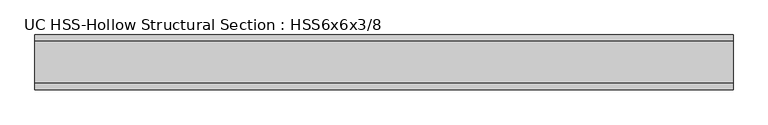
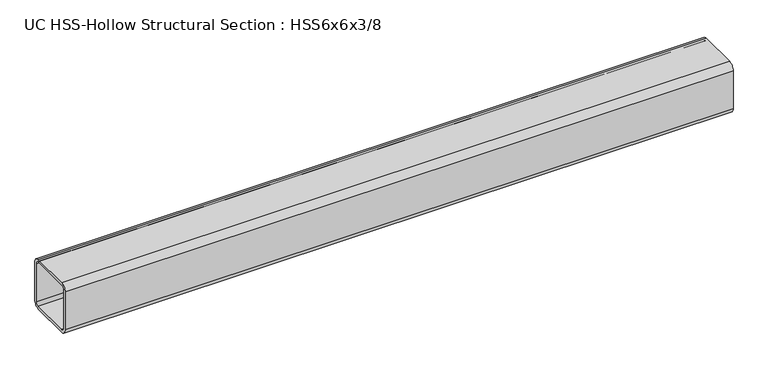
"""IFC4 building model written with IfcOpenShell, lengths in millimetres: beam geometry, UC HSS-Hollow Structural Section : HSS6x6x3/8."""

import ifcopenshell
import ifcopenshell.guid

model = None  # the IFC model being written
_history = None  # IfcOwnerHistory: only IFC2X3 demands one
_inside = {}  # id of a spatial element -> (the spatial element, [elements in it])
_under = {}  # id of a project, library or spatial element -> (it, [spatial elements below it])
_declared = {}  # id of a project -> (the project, [libraries it declares])
_typed = {}  # id of a type object -> (the type object, [elements of that type])
_made_of = {}  # id of a material, layer set ... -> (it, [elements and type objects made of it])


def new_model(schema):
    """Start an empty IFC model of exactly this schema.

    Asked for "IFC4X3", IfcOpenShell would pick the latest addendum, in which some entities
    have other attributes; the version numbers below select the first issue.
    IFC2X3 requires an IfcOwnerHistory on every rooted entity: one is made here for all.
    """
    global model, _history
    if schema == "IFC4X3":
        model = ifcopenshell.file(schema_version=(4, 3, 0, 0))
    else:
        model = ifcopenshell.file(schema=schema)
    _inside.clear()
    _under.clear()
    _declared.clear()
    _typed.clear()
    _made_of.clear()
    _history = None
    if model.schema == "IFC2X3":
        org = make("IfcOrganization", Name="unknown")
        user = make(
            "IfcPersonAndOrganization",
            ThePerson=make("IfcPerson", FamilyName="unknown"),
            TheOrganization=org,
        )
        app = make(
            "IfcApplication",
            ApplicationDeveloper=org,
            Version="unknown",
            ApplicationFullName="unknown",
            ApplicationIdentifier="unknown",
        )
        _history = make(
            "IfcOwnerHistory",
            OwningUser=user,
            OwningApplication=app,
            ChangeAction="ADDED",
            CreationDate=0,
        )
    return model


def make(cls, **values):
    """One entity of the class cls with the attributes given. An attribute that is None is left unset."""
    return model.create_entity(
        cls, **{name: value for name, value in values.items() if value is not None}
    )


def rooted(cls, **values):
    """An entity with a GlobalId (a new one), such as an element, a storey or a relation."""
    return make(cls, GlobalId=ifcopenshell.guid.new(), OwnerHistory=_history, **values)


def si_unit(unit_type, name, prefix=None):
    """IfcSIUnit, for example si_unit("LENGTHUNIT", "METRE", prefix="MILLI")."""
    return make("IfcSIUnit", UnitType=unit_type, Prefix=prefix, Name=name)


def assignment(units):
    """IfcUnitAssignment: the units of a project."""
    return None if units is None else make("IfcUnitAssignment", Units=units)


def point(xyz):
    """IfcCartesianPoint."""
    return None if xyz is None else make("IfcCartesianPoint", Coordinates=xyz)


def direction(xyz):
    """IfcDirection."""
    return None if xyz is None else make("IfcDirection", DirectionRatios=xyz)


def frame(location, z_axis=None, x_axis=None):
    """IfcAxis2Placement3D, a coordinate frame: its origin and axes. An axis left out is left unset."""
    return make(
        "IfcAxis2Placement3D",
        Location=point(location),
        Axis=direction(z_axis),
        RefDirection=direction(x_axis),
    )


def frame_2d(location, x_axis=None):
    """IfcAxis2Placement2D, a coordinate frame in the plane: its origin and x axis."""
    return make(
        "IfcAxis2Placement2D", Location=point(location), RefDirection=direction(x_axis)
    )


def origin():
    """The frame at (0, 0, 0) with its axes left unset."""
    return frame((0.0, 0.0, 0.0))


def place(relative_to, where):
    """IfcLocalPlacement: puts the frame where relative to a parent placement (None: the world)."""
    return make(
        "IfcLocalPlacement", PlacementRelTo=relative_to, RelativePlacement=where
    )


def context(
    kind, dimensions, precision=None, world=None, true_north=None, identifier=None
):
    """IfcGeometricRepresentationContext, for example the 3D "Model" context."""
    return make(
        "IfcGeometricRepresentationContext",
        ContextIdentifier=identifier,
        ContextType=kind,
        CoordinateSpaceDimension=dimensions,
        Precision=precision,
        WorldCoordinateSystem=world,
        TrueNorth=true_north,
    )


def project(units=None, contexts=None):
    """IfcProject with its units and contexts."""
    return rooted(
        "IfcProject",
        Name="project",
        RepresentationContexts=contexts,
        UnitsInContext=assignment(units),
    )


def spatial(cls, under=None, at=None, **own):
    """A site, building, storey or space (cls), placed at a placement, below another one or the project."""
    s = rooted(cls, ObjectPlacement=at, **own)
    if under is not None:
        _under.setdefault(under.id(), (under, []))[1].append(s)
    return s


def polyline(points):
    """IfcPolyline through the points."""
    return make("IfcPolyline", Points=[point(p) for p in points])


def circle_curve(where, radius):
    """IfcCircle in the frame where."""
    return make("IfcCircle", Position=where, Radius=radius)


def trimmed(basis, trim1, trim2, sense, master):
    """IfcTrimmedCurve: the piece of a basis curve between two trims."""
    return make(
        "IfcTrimmedCurve",
        BasisCurve=basis,
        Trim1=trim1,
        Trim2=trim2,
        SenseAgreement=sense,
        MasterRepresentation=master,
    )


def segment(curve, same_sense, transition):
    """IfcCompositeCurveSegment."""
    return make(
        "IfcCompositeCurveSegment",
        Transition=transition,
        SameSense=same_sense,
        ParentCurve=curve,
    )


def composite_curve(segments, self_intersect=None):
    """IfcCompositeCurve: segments joined end to end."""
    return make("IfcCompositeCurve", Segments=segments, SelfIntersect=self_intersect)


def outline(outer, holes=None, kind="AREA"):
    """IfcArbitraryClosedProfileDef: a profile drawn as a closed curve; with holes, ...WithVoids."""
    if holes is None:
        return make("IfcArbitraryClosedProfileDef", ProfileType=kind, OuterCurve=outer)
    return make(
        "IfcArbitraryProfileDefWithVoids",
        ProfileType=kind,
        OuterCurve=outer,
        InnerCurves=holes,
    )


def extrude(swept, where, along, depth):
    """IfcExtrudedAreaSolid: the profile swept, set in the frame where, extruded along a direction by depth."""
    return make(
        "IfcExtrudedAreaSolid",
        SweptArea=swept,
        Position=where,
        ExtrudedDirection=direction(along),
        Depth=depth,
    )


def shape(context_of_items, identifier, shape_type, items):
    """IfcShapeRepresentation: the items that make up one representation, for example the "Body"."""
    return make(
        "IfcShapeRepresentation",
        ContextOfItems=context_of_items,
        RepresentationIdentifier=identifier,
        RepresentationType=shape_type,
        Items=items,
    )


def source(mapping_origin, context_of_items, identifier, shape_type, items):
    """IfcRepresentationMap: a shape defined once, which mapped items show again and again."""
    return make(
        "IfcRepresentationMap",
        MappingOrigin=mapping_origin,
        MappedRepresentation=shape(context_of_items, identifier, shape_type, items),
    )


def transform(
    local_origin,
    x_axis=None,
    y_axis=None,
    z_axis=None,
    scale=None,
    scale2=None,
    scale3=None,
    uniform=True,
):
    """IfcCartesianTransformationOperator3D, or its non-uniform kind. x_axis, y_axis, z_axis: its Axis1, 2, 3."""
    if uniform:
        return make(
            "IfcCartesianTransformationOperator3D",
            Axis1=direction(x_axis),
            Axis2=direction(y_axis),
            LocalOrigin=point(local_origin),
            Scale=scale,
            Axis3=direction(z_axis),
        )
    return make(
        "IfcCartesianTransformationOperator3DnonUniform",
        Axis1=direction(x_axis),
        Axis2=direction(y_axis),
        LocalOrigin=point(local_origin),
        Scale=scale,
        Axis3=direction(z_axis),
        Scale2=scale2,
        Scale3=scale3,
    )


def mapped(mapping_source, mapping_target):
    """IfcMappedItem: shows the shape of a source again, moved by a transform."""
    return make(
        "IfcMappedItem", MappingSource=mapping_source, MappingTarget=mapping_target
    )


def made_of(thing, what):
    """Note that an element or type object is made of a material, layer set ...; save() writes the relation."""
    if what is not None:
        _made_of.setdefault(what.id(), (what, []))[1].append(thing)
    return thing


def element(
    cls,
    number,
    at=None,
    inside=None,
    cuts=None,
    type_object=None,
    material=None,
    context=None,
    identifier="Body",
    shape_type=None,
    held_by="IfcProductDefinitionShape",
    body=None,
    shapes=None,
    **own,
):
    """One element of the class cls, such as IfcWall. Its Tag is "e" and its number.

    at: its placement. inside: the storey or other place that contains it. cuts: it is an
    opening in that element (IfcRelVoidsElement). A single representation is given by context,
    identifier, shape_type and body (its items); several are given by shapes. held_by: the class
    of the entity that holds the representations. save() writes the other relations.
    """
    e = rooted(cls, Tag="e%d" % number, ObjectPlacement=at, **own)
    if body is not None:
        shapes = [shape(context, identifier, shape_type, body)]
    if shapes is not None:
        e.Representation = make(held_by, Representations=shapes)
    if inside is not None:
        _inside.setdefault(inside.id(), (inside, []))[1].append(e)
    if cuts is not None:
        rooted(
            "IfcRelVoidsElement", RelatingBuildingElement=cuts, RelatedOpeningElement=e
        )
    if type_object is not None:
        _typed.setdefault(type_object.id(), (type_object, []))[1].append(e)
    return made_of(e, material)


def aggregate(whole, parts):
    """IfcRelAggregates: a whole, such as a stair, and the parts it consists of."""
    return rooted("IfcRelAggregates", RelatingObject=whole, RelatedObjects=parts)


def save(model, path):
    """Write the relations noted so far, then the file.

    IfcRelAggregates (storeys below a building ...), IfcRelContainedInSpatialStructure (elements
    in a storey), IfcRelDefinesByType, IfcRelAssociatesMaterial and IfcRelDeclares: one each for
    every whole, place, type object, material and project.
    """
    for whole, parts in _under.values():
        aggregate(whole, parts)
    for where, things in _inside.values():
        rooted(
            "IfcRelContainedInSpatialStructure",
            RelatedElements=things,
            RelatingStructure=where,
        )
    for kind, things in _typed.values():
        rooted("IfcRelDefinesByType", RelatedObjects=things, RelatingType=kind)
    for what, things in _made_of.values():
        rooted("IfcRelAssociatesMaterial", RelatedObjects=things, RelatingMaterial=what)
    for by, libraries in _declared.values():
        rooted("IfcRelDeclares", RelatingContext=by, RelatedDefinitions=libraries)
    model.write(path)


def uc_hss_hollow_structural_section_hss6x6x3_8_1eb2feba(model_context):
    return source(origin(), model_context, "Body", "SweptSolid", [
        extrude(outline(composite_curve([segment(trimmed(circle_curve(frame_2d((-58.4708, 58.4708)), 17.7292), [point((-76.2, 58.4708))], [point((-58.4708, 76.2))], False, "CARTESIAN"), True, "CONTINUOUS"), segment(polyline([(-58.4708, 76.2), (58.4708, 76.2)]), True, "CONTINUOUS"), segment(trimmed(circle_curve(frame_2d((58.4708, 58.4708)), 17.7292), [point((58.4708, 76.2))], [point((76.2, 58.4708))], False, "CARTESIAN"), True, "CONTINUOUS"), segment(polyline([(76.2, 58.4708), (76.2, -58.4708)]), True, "CONTINUOUS"), segment(trimmed(circle_curve(frame_2d((58.4708, -58.4708)), 17.7292), [point((76.2, -58.4708))], [point((58.4708, -76.2))], False, "CARTESIAN"), True, "CONTINUOUS"), segment(polyline([(58.4708, -76.2), (-58.4708, -76.2)]), True, "CONTINUOUS"), segment(trimmed(circle_curve(frame_2d((-58.4708, -58.4708)), 17.7292), [point((-58.4708, -76.2))], [point((-76.2, -58.4708))], False, "CARTESIAN"), True, "CONTINUOUS"), segment(polyline([(-76.2, -58.4708), (-76.2, 58.4708)]), True, "CONTINUOUS")], self_intersect=False), holes=[composite_curve([segment(polyline([(58.4708, 67.3354), (-58.4708, 67.3354)]), True, "CONTINUOUS"), segment(trimmed(circle_curve(frame_2d((-58.4708, 58.4708)), 8.8646), [point((-58.4708, 67.3354))], [point((-67.3354, 58.4708))], True, "CARTESIAN"), True, "CONTINUOUS"), segment(polyline([(-67.3354, 58.4708), (-67.3354, -58.4708)]), True, "CONTINUOUS"), segment(trimmed(circle_curve(frame_2d((-58.4708, -58.4708)), 8.8646), [point((-67.3354, -58.4708))], [point((-58.4708, -67.3354))], True, "CARTESIAN"), True, "CONTINUOUS"), segment(polyline([(-58.4708, -67.3354), (58.4708, -67.3354)]), True, "CONTINUOUS"), segment(trimmed(circle_curve(frame_2d((58.4708, -58.4708)), 8.8646), [point((58.4708, -67.3354))], [point((67.3354, -58.4708))], True, "CARTESIAN"), True, "CONTINUOUS"), segment(polyline([(67.3354, -58.4708), (67.3354, 58.4708)]), True, "CONTINUOUS"), segment(trimmed(circle_curve(frame_2d((58.4708, 58.4708)), 8.8646), [point((67.3354, 58.4708))], [point((58.4708, 67.3354))], True, "CARTESIAN"), True, "CONTINUOUS")], self_intersect=False)]), frame((-899.860136, 0.0, 0.0), z_axis=(1.0, 0.0, 0.0), x_axis=(0.0, 1.0, 0.0)), (0.0, 0.0, 1.0), 1943.9871018),
    ])


if __name__ == "__main__":
    model = new_model("IFC4")
    model_context = context("Model", 3, world=origin())
    ifc_project = project(units=[si_unit("LENGTHUNIT", "METRE", prefix="MILLI")], contexts=[model_context])
    site = spatial("IfcSite", under=ifc_project)
    building = spatial("IfcBuilding", under=site)
    placement = place(None, origin())
    uc_hss_hollow_structural_section_hss6x6x3_8_shape = uc_hss_hollow_structural_section_hss6x6x3_8_1eb2feba(model_context)
    element("IfcBeam", 1, ObjectType="UC HSS-Hollow Structural Section : HSS6x6x3/8", at=placement, inside=building, context=model_context, shape_type="MappedRepresentation", body=[
        mapped(uc_hss_hollow_structural_section_hss6x6x3_8_shape, transform((0.0, 0.0, 0.0), x_axis=(1.0, 0.0, 0.0), y_axis=(0.0, 1.0, 0.0), z_axis=(0.0, 0.0, 1.0))),
    ])
    save(model, "model.ifc")
